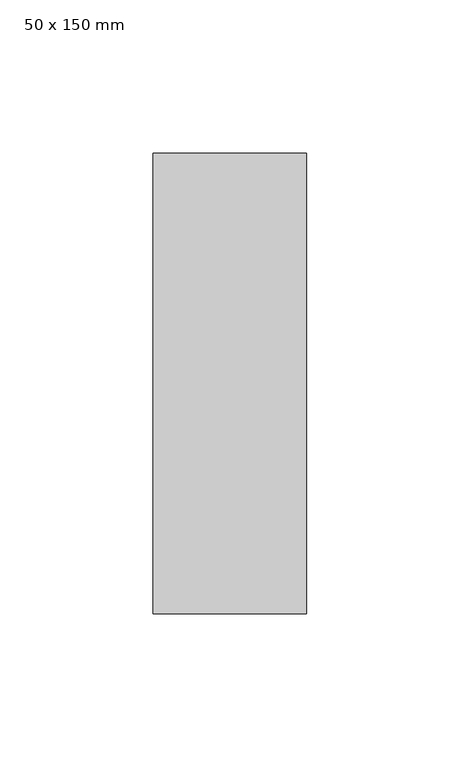
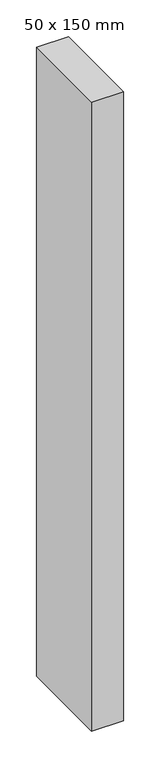
"""IFC4 building model written with IfcOpenShell, lengths in millimetres: member geometry, 50 x 150 mm."""

from ifc_helpers import new_model, si_unit, frame, origin, place, context, project, spatial, polyline, outline, extrude, source, transform, mapped, element, save


def member_50_x_150_mm_e69ae69c(model_context):
    return source(origin(), model_context, "Body", "SweptSolid", [
        extrude(outline(polyline([(25.0, 75.0), (25.0, -75.0), (-25.0, -75.0), (-25.0, 75.0), (25.0, 75.0)])), frame((0.0, 0.0, -1045.0), z_axis=(0.0, 0.0, 1.0), x_axis=(1.0, 0.0, 0.0)), (0.0, 0.0, 1.0), 1045.0),
    ])


if __name__ == "__main__":
    model = new_model("IFC4")
    model_context = context("Model", 3, world=origin())
    ifc_project = project(units=[si_unit("LENGTHUNIT", "METRE", prefix="MILLI")], contexts=[model_context])
    site = spatial("IfcSite", under=ifc_project)
    building = spatial("IfcBuilding", under=site)
    placement = place(None, origin())
    member_50_x_150_mm_shape = member_50_x_150_mm_e69ae69c(model_context)
    element("IfcMember", 1, ObjectType="50 x 150 mm", at=placement, inside=building, context=model_context, shape_type="MappedRepresentation", body=[
        mapped(member_50_x_150_mm_shape, transform((0.0, 0.0, 0.0), x_axis=(1.0, 0.0, 0.0), y_axis=(0.0, 1.0, 0.0), z_axis=(0.0, 0.0, 1.0))),
    ])
    save(model, "model.ifc")
